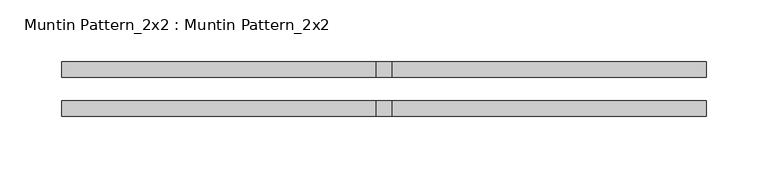
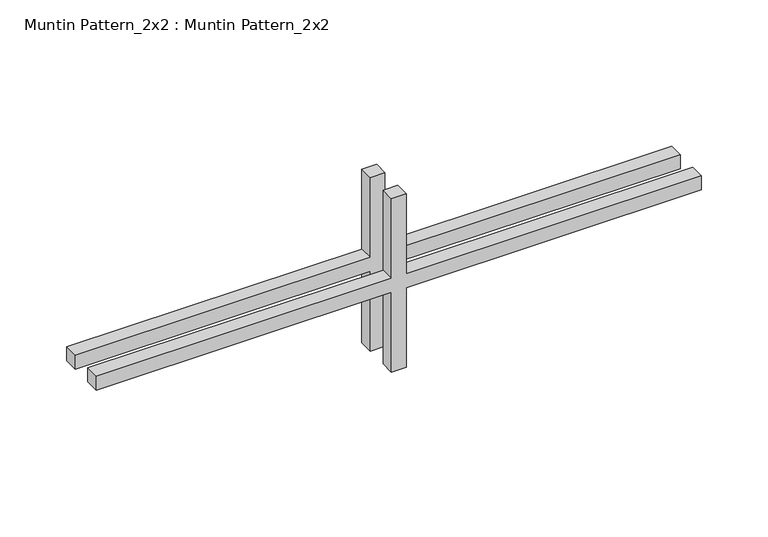
"""IFC4 building model written with IfcOpenShell, lengths in millimetres: proxy geometry, Muntin Pattern_2x2 : Muntin Pattern_2x2."""

import ifcopenshell
import ifcopenshell.guid

model = None  # the IFC model being written
_history = None  # IfcOwnerHistory: only IFC2X3 demands one
_inside = {}  # id of a spatial element -> (the spatial element, [elements in it])
_under = {}  # id of a project, library or spatial element -> (it, [spatial elements below it])
_declared = {}  # id of a project -> (the project, [libraries it declares])
_typed = {}  # id of a type object -> (the type object, [elements of that type])
_made_of = {}  # id of a material, layer set ... -> (it, [elements and type objects made of it])


def new_model(schema):
    """Start an empty IFC model of exactly this schema.

    Asked for "IFC4X3", IfcOpenShell would pick the latest addendum, in which some entities
    have other attributes; the version numbers below select the first issue.
    IFC2X3 requires an IfcOwnerHistory on every rooted entity: one is made here for all.
    """
    global model, _history
    if schema == "IFC4X3":
        model = ifcopenshell.file(schema_version=(4, 3, 0, 0))
    else:
        model = ifcopenshell.file(schema=schema)
    _inside.clear()
    _under.clear()
    _declared.clear()
    _typed.clear()
    _made_of.clear()
    _history = None
    if model.schema == "IFC2X3":
        org = make("IfcOrganization", Name="unknown")
        user = make(
            "IfcPersonAndOrganization",
            ThePerson=make("IfcPerson", FamilyName="unknown"),
            TheOrganization=org,
        )
        app = make(
            "IfcApplication",
            ApplicationDeveloper=org,
            Version="unknown",
            ApplicationFullName="unknown",
            ApplicationIdentifier="unknown",
        )
        _history = make(
            "IfcOwnerHistory",
            OwningUser=user,
            OwningApplication=app,
            ChangeAction="ADDED",
            CreationDate=0,
        )
    return model


def make(cls, **values):
    """One entity of the class cls with the attributes given. An attribute that is None is left unset."""
    return model.create_entity(
        cls, **{name: value for name, value in values.items() if value is not None}
    )


def rooted(cls, **values):
    """An entity with a GlobalId (a new one), such as an element, a storey or a relation."""
    return make(cls, GlobalId=ifcopenshell.guid.new(), OwnerHistory=_history, **values)


def si_unit(unit_type, name, prefix=None):
    """IfcSIUnit, for example si_unit("LENGTHUNIT", "METRE", prefix="MILLI")."""
    return make("IfcSIUnit", UnitType=unit_type, Prefix=prefix, Name=name)


def assignment(units):
    """IfcUnitAssignment: the units of a project."""
    return None if units is None else make("IfcUnitAssignment", Units=units)


def point(xyz):
    """IfcCartesianPoint."""
    return None if xyz is None else make("IfcCartesianPoint", Coordinates=xyz)


def direction(xyz):
    """IfcDirection."""
    return None if xyz is None else make("IfcDirection", DirectionRatios=xyz)


def frame(location, z_axis=None, x_axis=None):
    """IfcAxis2Placement3D, a coordinate frame: its origin and axes. An axis left out is left unset."""
    return make(
        "IfcAxis2Placement3D",
        Location=point(location),
        Axis=direction(z_axis),
        RefDirection=direction(x_axis),
    )


def origin():
    """The frame at (0, 0, 0) with its axes left unset."""
    return frame((0.0, 0.0, 0.0))


def place(relative_to, where):
    """IfcLocalPlacement: puts the frame where relative to a parent placement (None: the world)."""
    return make(
        "IfcLocalPlacement", PlacementRelTo=relative_to, RelativePlacement=where
    )


def context(
    kind, dimensions, precision=None, world=None, true_north=None, identifier=None
):
    """IfcGeometricRepresentationContext, for example the 3D "Model" context."""
    return make(
        "IfcGeometricRepresentationContext",
        ContextIdentifier=identifier,
        ContextType=kind,
        CoordinateSpaceDimension=dimensions,
        Precision=precision,
        WorldCoordinateSystem=world,
        TrueNorth=true_north,
    )


def project(units=None, contexts=None):
    """IfcProject with its units and contexts."""
    return rooted(
        "IfcProject",
        Name="project",
        RepresentationContexts=contexts,
        UnitsInContext=assignment(units),
    )


def spatial(cls, under=None, at=None, **own):
    """A site, building, storey or space (cls), placed at a placement, below another one or the project."""
    s = rooted(cls, ObjectPlacement=at, **own)
    if under is not None:
        _under.setdefault(under.id(), (under, []))[1].append(s)
    return s


def polyline(points):
    """IfcPolyline through the points."""
    return make("IfcPolyline", Points=[point(p) for p in points])


def outline(outer, holes=None, kind="AREA"):
    """IfcArbitraryClosedProfileDef: a profile drawn as a closed curve; with holes, ...WithVoids."""
    if holes is None:
        return make("IfcArbitraryClosedProfileDef", ProfileType=kind, OuterCurve=outer)
    return make(
        "IfcArbitraryProfileDefWithVoids",
        ProfileType=kind,
        OuterCurve=outer,
        InnerCurves=holes,
    )


def extrude(swept, where, along, depth):
    """IfcExtrudedAreaSolid: the profile swept, set in the frame where, extruded along a direction by depth."""
    return make(
        "IfcExtrudedAreaSolid",
        SweptArea=swept,
        Position=where,
        ExtrudedDirection=direction(along),
        Depth=depth,
    )


def shape(context_of_items, identifier, shape_type, items):
    """IfcShapeRepresentation: the items that make up one representation, for example the "Body"."""
    return make(
        "IfcShapeRepresentation",
        ContextOfItems=context_of_items,
        RepresentationIdentifier=identifier,
        RepresentationType=shape_type,
        Items=items,
    )


def source(mapping_origin, context_of_items, identifier, shape_type, items):
    """IfcRepresentationMap: a shape defined once, which mapped items show again and again."""
    return make(
        "IfcRepresentationMap",
        MappingOrigin=mapping_origin,
        MappedRepresentation=shape(context_of_items, identifier, shape_type, items),
    )


def transform(
    local_origin,
    x_axis=None,
    y_axis=None,
    z_axis=None,
    scale=None,
    scale2=None,
    scale3=None,
    uniform=True,
):
    """IfcCartesianTransformationOperator3D, or its non-uniform kind. x_axis, y_axis, z_axis: its Axis1, 2, 3."""
    if uniform:
        return make(
            "IfcCartesianTransformationOperator3D",
            Axis1=direction(x_axis),
            Axis2=direction(y_axis),
            LocalOrigin=point(local_origin),
            Scale=scale,
            Axis3=direction(z_axis),
        )
    return make(
        "IfcCartesianTransformationOperator3DnonUniform",
        Axis1=direction(x_axis),
        Axis2=direction(y_axis),
        LocalOrigin=point(local_origin),
        Scale=scale,
        Axis3=direction(z_axis),
        Scale2=scale2,
        Scale3=scale3,
    )


def mapped(mapping_source, mapping_target):
    """IfcMappedItem: shows the shape of a source again, moved by a transform."""
    return make(
        "IfcMappedItem", MappingSource=mapping_source, MappingTarget=mapping_target
    )


def made_of(thing, what):
    """Note that an element or type object is made of a material, layer set ...; save() writes the relation."""
    if what is not None:
        _made_of.setdefault(what.id(), (what, []))[1].append(thing)
    return thing


def element(
    cls,
    number,
    at=None,
    inside=None,
    cuts=None,
    type_object=None,
    material=None,
    context=None,
    identifier="Body",
    shape_type=None,
    held_by="IfcProductDefinitionShape",
    body=None,
    shapes=None,
    **own,
):
    """One element of the class cls, such as IfcWall. Its Tag is "e" and its number.

    at: its placement. inside: the storey or other place that contains it. cuts: it is an
    opening in that element (IfcRelVoidsElement). A single representation is given by context,
    identifier, shape_type and body (its items); several are given by shapes. held_by: the class
    of the entity that holds the representations. save() writes the other relations.
    """
    e = rooted(cls, Tag="e%d" % number, ObjectPlacement=at, **own)
    if body is not None:
        shapes = [shape(context, identifier, shape_type, body)]
    if shapes is not None:
        e.Representation = make(held_by, Representations=shapes)
    if inside is not None:
        _inside.setdefault(inside.id(), (inside, []))[1].append(e)
    if cuts is not None:
        rooted(
            "IfcRelVoidsElement", RelatingBuildingElement=cuts, RelatedOpeningElement=e
        )
    if type_object is not None:
        _typed.setdefault(type_object.id(), (type_object, []))[1].append(e)
    return made_of(e, material)


def aggregate(whole, parts):
    """IfcRelAggregates: a whole, such as a stair, and the parts it consists of."""
    return rooted("IfcRelAggregates", RelatingObject=whole, RelatedObjects=parts)


def save(model, path):
    """Write the relations noted so far, then the file.

    IfcRelAggregates (storeys below a building ...), IfcRelContainedInSpatialStructure (elements
    in a storey), IfcRelDefinesByType, IfcRelAssociatesMaterial and IfcRelDeclares: one each for
    every whole, place, type object, material and project.
    """
    for whole, parts in _under.values():
        aggregate(whole, parts)
    for where, things in _inside.values():
        rooted(
            "IfcRelContainedInSpatialStructure",
            RelatedElements=things,
            RelatingStructure=where,
        )
    for kind, things in _typed.values():
        rooted("IfcRelDefinesByType", RelatedObjects=things, RelatingType=kind)
    for what, things in _made_of.values():
        rooted("IfcRelAssociatesMaterial", RelatedObjects=things, RelatingMaterial=what)
    for by, libraries in _declared.values():
        rooted("IfcRelDeclares", RelatingContext=by, RelatedDefinitions=libraries)
    model.write(path)


def muntin_pattern_2x2_muntin_pattern_2x2_45a02c83(model_context):
    return source(origin(), model_context, "Body", "SweptSolid", [
        extrude(outline(polyline([(85.725, -6.35), (85.725, -261.9375), (73.025, -261.9375), (73.025, -6.35), (0.0, -6.35), (0.0, 6.35), (73.025, 6.35), (73.025, 261.9375), (85.725, 261.9375), (85.725, 6.35), (158.75, 6.35), (158.75, -6.35), (85.725, -6.35)])), frame((0.0, 9.525, 0.0), z_axis=(0.0, 1.0, 0.0), x_axis=(0.0, 0.0, 1.0)), (0.0, 0.0, 1.0), 12.7),
        extrude(outline(polyline([(85.725, -6.35), (85.725, -261.9375), (73.025, -261.9375), (73.025, -6.35), (0.0, -6.35), (0.0, 6.35), (73.025, 6.35), (73.025, 261.9375), (85.725, 261.9375), (85.725, 6.35), (158.75, 6.35), (158.75, -6.35), (85.725, -6.35)])), frame((0.0, -22.225, 0.0), z_axis=(0.0, 1.0, 0.0), x_axis=(0.0, 0.0, 1.0)), (0.0, 0.0, 1.0), 12.7),
    ])


if __name__ == "__main__":
    model = new_model("IFC4")
    model_context = context("Model", 3, world=origin())
    ifc_project = project(units=[si_unit("LENGTHUNIT", "METRE", prefix="MILLI")], contexts=[model_context])
    site = spatial("IfcSite", under=ifc_project)
    building = spatial("IfcBuilding", under=site)
    placement = place(None, origin())
    muntin_pattern_2x2_muntin_pattern_2x2_shape = muntin_pattern_2x2_muntin_pattern_2x2_45a02c83(model_context)
    element("IfcBuildingElementProxy", 1, Name="Muntin Pattern_2x2 : Muntin Pattern_2x2", ObjectType="Muntin Pattern_2x2 : Muntin Pattern_2x2", at=placement, inside=building, context=model_context, shape_type="MappedRepresentation", body=[
        mapped(muntin_pattern_2x2_muntin_pattern_2x2_shape, transform((0.0, 0.0, 0.0), x_axis=(1.0, 0.0, 0.0), y_axis=(0.0, 1.0, 0.0), z_axis=(0.0, 0.0, 1.0))),
    ])
    save(model, "model.ifc")
